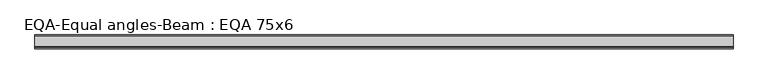
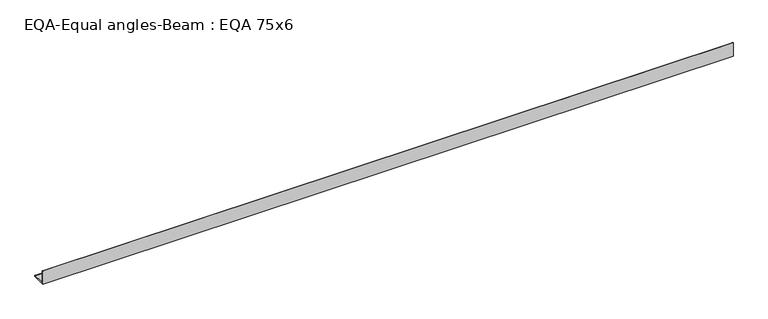
"""IFC4 building model written with IfcOpenShell, lengths in millimetres: beam geometry, EQA-Equal angles-Beam : EQA 75x6."""

from ifc_helpers import new_model, si_unit, point, frame, frame_2d, origin, place, context, project, spatial, polyline, circle_curve, trimmed, segment, composite_curve, outline, extrude, source, transform, mapped, element, save


def eqa_equal_angles_beam_eqa_75x6_a2211388(model_context):
    return source(origin(), model_context, "Body", "SweptSolid", [
        extrude(outline(composite_curve([segment(polyline([(-20.5, -20.5), (-20.5, 54.5), (-19.0, 54.5)]), True, "CONTINUOUS"), segment(trimmed(circle_curve(frame_2d((-19.0, 50.0)), 4.5), [point((-19.0, 54.5))], [point((-14.5, 50.0))], False, "CARTESIAN"), True, "CONTINUOUS"), segment(polyline([(-14.5, 50.0), (-14.5, -5.5)]), True, "CONTINUOUS"), segment(trimmed(circle_curve(frame_2d((-5.5, -5.5)), 9.0), [point((-14.5, -5.5))], [point((-5.5, -14.5))], True, "CARTESIAN"), True, "CONTINUOUS"), segment(polyline([(-5.5, -14.5), (50.0, -14.5)]), True, "CONTINUOUS"), segment(trimmed(circle_curve(frame_2d((50.0, -19.0)), 4.5), [point((50.0, -14.5))], [point((54.5, -19.0))], False, "CARTESIAN"), True, "CONTINUOUS"), segment(polyline([(54.5, -19.0), (54.5, -20.5), (-20.5, -20.5)]), True, "CONTINUOUS")], self_intersect=False)), frame((-1808.2879984, 0.0, 0.0), z_axis=(1.0, 0.0, 0.0), x_axis=(0.0, 1.0, 0.0)), (0.0, 0.0, 1.0), 3725.7493329),
    ])


if __name__ == "__main__":
    model = new_model("IFC4")
    model_context = context("Model", 3, world=origin())
    ifc_project = project(units=[si_unit("LENGTHUNIT", "METRE", prefix="MILLI")], contexts=[model_context])
    site = spatial("IfcSite", under=ifc_project)
    building = spatial("IfcBuilding", under=site)
    placement = place(None, origin())
    eqa_equal_angles_beam_eqa_75x6_shape = eqa_equal_angles_beam_eqa_75x6_a2211388(model_context)
    element("IfcBeam", 1, ObjectType="EQA-Equal angles-Beam : EQA 75x6", at=placement, inside=building, context=model_context, shape_type="MappedRepresentation", body=[
        mapped(eqa_equal_angles_beam_eqa_75x6_shape, transform((0.0, 0.0, 0.0), x_axis=(1.0, 0.0, 0.0), y_axis=(0.0, 1.0, 0.0), z_axis=(0.0, 0.0, 1.0))),
    ])
    save(model, "model.ifc")
